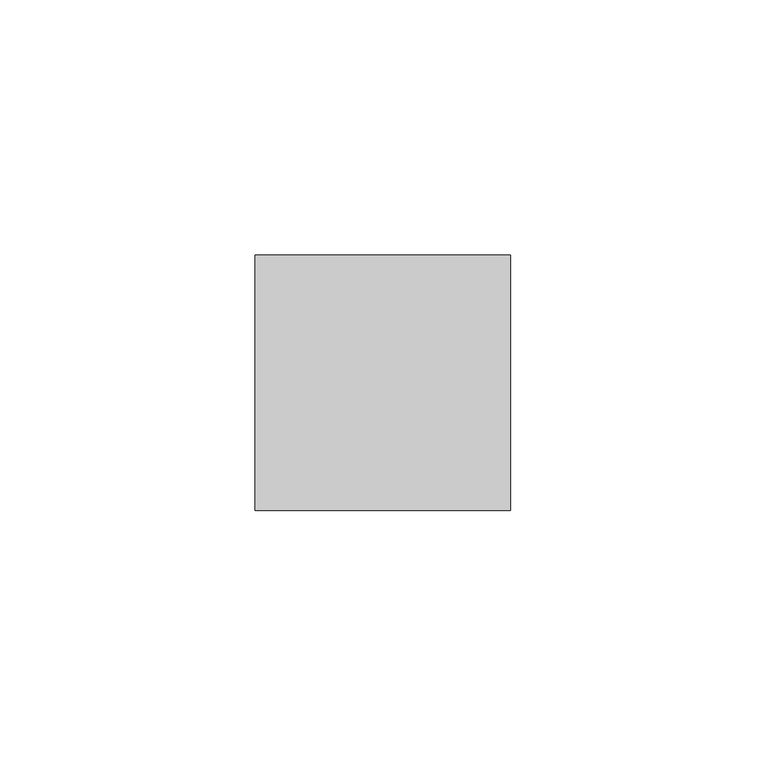
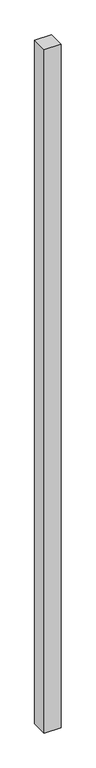
"""IFC4 building model written with IfcOpenShell, lengths in millimetres: member geometry."""

from ifc_helpers import new_model, si_unit, frame, origin, place, context, project, spatial, polyline, outline, extrude, source, transform, mapped, element, save


def member_7c47a1bd(model_context):
    return source(origin(), model_context, "Body", "SweptSolid", [
        extrude(outline(polyline([(25.0, 25.0), (25.0, -25.0), (-25.0, -25.0), (-25.0, 25.0), (25.0, 25.0)])), frame((0.0, 0.0, -2175.0), z_axis=(0.0, 0.0, 1.0), x_axis=(1.0, 0.0, 0.0)), (0.0, 0.0, 1.0), 2175.0),
    ])


if __name__ == "__main__":
    model = new_model("IFC4")
    model_context = context("Model", 3, world=origin())
    ifc_project = project(units=[si_unit("LENGTHUNIT", "METRE", prefix="MILLI")], contexts=[model_context])
    site = spatial("IfcSite", under=ifc_project)
    building = spatial("IfcBuilding", under=site)
    placement = place(None, origin())
    member_shape = member_7c47a1bd(model_context)
    element("IfcMember", 1, at=placement, inside=building, context=model_context, shape_type="MappedRepresentation", body=[
        mapped(member_shape, transform((0.0, 0.0, 0.0), x_axis=(1.0, 0.0, 0.0), y_axis=(0.0, 1.0, 0.0), z_axis=(0.0, 0.0, 1.0))),
    ])
    save(model, "model.ifc")
